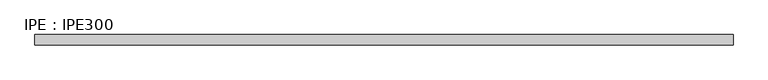
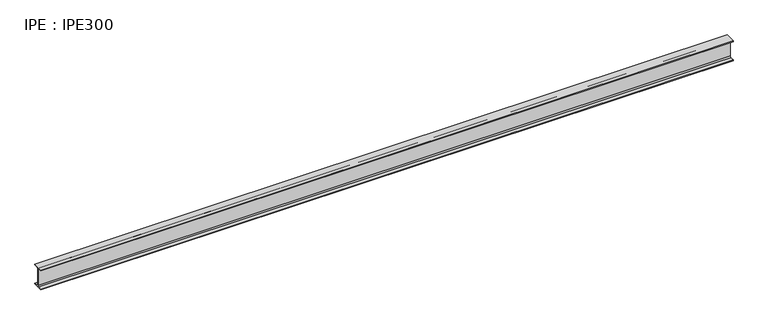
"""IFC4 building model written with IfcOpenShell, lengths in millimetres: beam geometry, IPE : IPE300."""

import ifcopenshell
import ifcopenshell.guid

model = None  # the IFC model being written
_history = None  # IfcOwnerHistory: only IFC2X3 demands one
_inside = {}  # id of a spatial element -> (the spatial element, [elements in it])
_under = {}  # id of a project, library or spatial element -> (it, [spatial elements below it])
_declared = {}  # id of a project -> (the project, [libraries it declares])
_typed = {}  # id of a type object -> (the type object, [elements of that type])
_made_of = {}  # id of a material, layer set ... -> (it, [elements and type objects made of it])


def new_model(schema):
    """Start an empty IFC model of exactly this schema.

    Asked for "IFC4X3", IfcOpenShell would pick the latest addendum, in which some entities
    have other attributes; the version numbers below select the first issue.
    IFC2X3 requires an IfcOwnerHistory on every rooted entity: one is made here for all.
    """
    global model, _history
    if schema == "IFC4X3":
        model = ifcopenshell.file(schema_version=(4, 3, 0, 0))
    else:
        model = ifcopenshell.file(schema=schema)
    _inside.clear()
    _under.clear()
    _declared.clear()
    _typed.clear()
    _made_of.clear()
    _history = None
    if model.schema == "IFC2X3":
        org = make("IfcOrganization", Name="unknown")
        user = make(
            "IfcPersonAndOrganization",
            ThePerson=make("IfcPerson", FamilyName="unknown"),
            TheOrganization=org,
        )
        app = make(
            "IfcApplication",
            ApplicationDeveloper=org,
            Version="unknown",
            ApplicationFullName="unknown",
            ApplicationIdentifier="unknown",
        )
        _history = make(
            "IfcOwnerHistory",
            OwningUser=user,
            OwningApplication=app,
            ChangeAction="ADDED",
            CreationDate=0,
        )
    return model


def make(cls, **values):
    """One entity of the class cls with the attributes given. An attribute that is None is left unset."""
    return model.create_entity(
        cls, **{name: value for name, value in values.items() if value is not None}
    )


def rooted(cls, **values):
    """An entity with a GlobalId (a new one), such as an element, a storey or a relation."""
    return make(cls, GlobalId=ifcopenshell.guid.new(), OwnerHistory=_history, **values)


def si_unit(unit_type, name, prefix=None):
    """IfcSIUnit, for example si_unit("LENGTHUNIT", "METRE", prefix="MILLI")."""
    return make("IfcSIUnit", UnitType=unit_type, Prefix=prefix, Name=name)


def assignment(units):
    """IfcUnitAssignment: the units of a project."""
    return None if units is None else make("IfcUnitAssignment", Units=units)


def point(xyz):
    """IfcCartesianPoint."""
    return None if xyz is None else make("IfcCartesianPoint", Coordinates=xyz)


def direction(xyz):
    """IfcDirection."""
    return None if xyz is None else make("IfcDirection", DirectionRatios=xyz)


def frame(location, z_axis=None, x_axis=None):
    """IfcAxis2Placement3D, a coordinate frame: its origin and axes. An axis left out is left unset."""
    return make(
        "IfcAxis2Placement3D",
        Location=point(location),
        Axis=direction(z_axis),
        RefDirection=direction(x_axis),
    )


def frame_2d(location, x_axis=None):
    """IfcAxis2Placement2D, a coordinate frame in the plane: its origin and x axis."""
    return make(
        "IfcAxis2Placement2D", Location=point(location), RefDirection=direction(x_axis)
    )


def origin():
    """The frame at (0, 0, 0) with its axes left unset."""
    return frame((0.0, 0.0, 0.0))


def place(relative_to, where):
    """IfcLocalPlacement: puts the frame where relative to a parent placement (None: the world)."""
    return make(
        "IfcLocalPlacement", PlacementRelTo=relative_to, RelativePlacement=where
    )


def context(
    kind, dimensions, precision=None, world=None, true_north=None, identifier=None
):
    """IfcGeometricRepresentationContext, for example the 3D "Model" context."""
    return make(
        "IfcGeometricRepresentationContext",
        ContextIdentifier=identifier,
        ContextType=kind,
        CoordinateSpaceDimension=dimensions,
        Precision=precision,
        WorldCoordinateSystem=world,
        TrueNorth=true_north,
    )


def project(units=None, contexts=None):
    """IfcProject with its units and contexts."""
    return rooted(
        "IfcProject",
        Name="project",
        RepresentationContexts=contexts,
        UnitsInContext=assignment(units),
    )


def spatial(cls, under=None, at=None, **own):
    """A site, building, storey or space (cls), placed at a placement, below another one or the project."""
    s = rooted(cls, ObjectPlacement=at, **own)
    if under is not None:
        _under.setdefault(under.id(), (under, []))[1].append(s)
    return s


def polyline(points):
    """IfcPolyline through the points."""
    return make("IfcPolyline", Points=[point(p) for p in points])


def circle_curve(where, radius):
    """IfcCircle in the frame where."""
    return make("IfcCircle", Position=where, Radius=radius)


def trimmed(basis, trim1, trim2, sense, master):
    """IfcTrimmedCurve: the piece of a basis curve between two trims."""
    return make(
        "IfcTrimmedCurve",
        BasisCurve=basis,
        Trim1=trim1,
        Trim2=trim2,
        SenseAgreement=sense,
        MasterRepresentation=master,
    )


def segment(curve, same_sense, transition):
    """IfcCompositeCurveSegment."""
    return make(
        "IfcCompositeCurveSegment",
        Transition=transition,
        SameSense=same_sense,
        ParentCurve=curve,
    )


def composite_curve(segments, self_intersect=None):
    """IfcCompositeCurve: segments joined end to end."""
    return make("IfcCompositeCurve", Segments=segments, SelfIntersect=self_intersect)


def outline(outer, holes=None, kind="AREA"):
    """IfcArbitraryClosedProfileDef: a profile drawn as a closed curve; with holes, ...WithVoids."""
    if holes is None:
        return make("IfcArbitraryClosedProfileDef", ProfileType=kind, OuterCurve=outer)
    return make(
        "IfcArbitraryProfileDefWithVoids",
        ProfileType=kind,
        OuterCurve=outer,
        InnerCurves=holes,
    )


def extrude(swept, where, along, depth):
    """IfcExtrudedAreaSolid: the profile swept, set in the frame where, extruded along a direction by depth."""
    return make(
        "IfcExtrudedAreaSolid",
        SweptArea=swept,
        Position=where,
        ExtrudedDirection=direction(along),
        Depth=depth,
    )


def shape(context_of_items, identifier, shape_type, items):
    """IfcShapeRepresentation: the items that make up one representation, for example the "Body"."""
    return make(
        "IfcShapeRepresentation",
        ContextOfItems=context_of_items,
        RepresentationIdentifier=identifier,
        RepresentationType=shape_type,
        Items=items,
    )


def source(mapping_origin, context_of_items, identifier, shape_type, items):
    """IfcRepresentationMap: a shape defined once, which mapped items show again and again."""
    return make(
        "IfcRepresentationMap",
        MappingOrigin=mapping_origin,
        MappedRepresentation=shape(context_of_items, identifier, shape_type, items),
    )


def transform(
    local_origin,
    x_axis=None,
    y_axis=None,
    z_axis=None,
    scale=None,
    scale2=None,
    scale3=None,
    uniform=True,
):
    """IfcCartesianTransformationOperator3D, or its non-uniform kind. x_axis, y_axis, z_axis: its Axis1, 2, 3."""
    if uniform:
        return make(
            "IfcCartesianTransformationOperator3D",
            Axis1=direction(x_axis),
            Axis2=direction(y_axis),
            LocalOrigin=point(local_origin),
            Scale=scale,
            Axis3=direction(z_axis),
        )
    return make(
        "IfcCartesianTransformationOperator3DnonUniform",
        Axis1=direction(x_axis),
        Axis2=direction(y_axis),
        LocalOrigin=point(local_origin),
        Scale=scale,
        Axis3=direction(z_axis),
        Scale2=scale2,
        Scale3=scale3,
    )


def mapped(mapping_source, mapping_target):
    """IfcMappedItem: shows the shape of a source again, moved by a transform."""
    return make(
        "IfcMappedItem", MappingSource=mapping_source, MappingTarget=mapping_target
    )


def made_of(thing, what):
    """Note that an element or type object is made of a material, layer set ...; save() writes the relation."""
    if what is not None:
        _made_of.setdefault(what.id(), (what, []))[1].append(thing)
    return thing


def element(
    cls,
    number,
    at=None,
    inside=None,
    cuts=None,
    type_object=None,
    material=None,
    context=None,
    identifier="Body",
    shape_type=None,
    held_by="IfcProductDefinitionShape",
    body=None,
    shapes=None,
    **own,
):
    """One element of the class cls, such as IfcWall. Its Tag is "e" and its number.

    at: its placement. inside: the storey or other place that contains it. cuts: it is an
    opening in that element (IfcRelVoidsElement). A single representation is given by context,
    identifier, shape_type and body (its items); several are given by shapes. held_by: the class
    of the entity that holds the representations. save() writes the other relations.
    """
    e = rooted(cls, Tag="e%d" % number, ObjectPlacement=at, **own)
    if body is not None:
        shapes = [shape(context, identifier, shape_type, body)]
    if shapes is not None:
        e.Representation = make(held_by, Representations=shapes)
    if inside is not None:
        _inside.setdefault(inside.id(), (inside, []))[1].append(e)
    if cuts is not None:
        rooted(
            "IfcRelVoidsElement", RelatingBuildingElement=cuts, RelatedOpeningElement=e
        )
    if type_object is not None:
        _typed.setdefault(type_object.id(), (type_object, []))[1].append(e)
    return made_of(e, material)


def aggregate(whole, parts):
    """IfcRelAggregates: a whole, such as a stair, and the parts it consists of."""
    return rooted("IfcRelAggregates", RelatingObject=whole, RelatedObjects=parts)


def save(model, path):
    """Write the relations noted so far, then the file.

    IfcRelAggregates (storeys below a building ...), IfcRelContainedInSpatialStructure (elements
    in a storey), IfcRelDefinesByType, IfcRelAssociatesMaterial and IfcRelDeclares: one each for
    every whole, place, type object, material and project.
    """
    for whole, parts in _under.values():
        aggregate(whole, parts)
    for where, things in _inside.values():
        rooted(
            "IfcRelContainedInSpatialStructure",
            RelatedElements=things,
            RelatingStructure=where,
        )
    for kind, things in _typed.values():
        rooted("IfcRelDefinesByType", RelatedObjects=things, RelatingType=kind)
    for what, things in _made_of.values():
        rooted("IfcRelAssociatesMaterial", RelatedObjects=things, RelatingMaterial=what)
    for by, libraries in _declared.values():
        rooted("IfcRelDeclares", RelatingContext=by, RelatedDefinitions=libraries)
    model.write(path)


def ipe_ipe300_72d987b7(model_context):
    return source(origin(), model_context, "Body", "SweptSolid", [
        extrude(outline(composite_curve([segment(polyline([(75.0, -139.3), (75.0, -150.0), (-75.0, -150.0), (-75.0, -139.3), (-18.55, -139.3)]), True, "CONTINUOUS"), segment(trimmed(circle_curve(frame_2d((-18.55, -124.3)), 15.0), [point((-18.55, -139.3))], [point((-3.55, -124.3))], True, "CARTESIAN"), True, "CONTINUOUS"), segment(polyline([(-3.55, -124.3), (-3.55, 124.3)]), True, "CONTINUOUS"), segment(trimmed(circle_curve(frame_2d((-18.55, 124.3)), 15.0), [point((-3.55, 124.3))], [point((-18.55, 139.3))], True, "CARTESIAN"), True, "CONTINUOUS"), segment(polyline([(-18.55, 139.3), (-75.0, 139.3), (-75.0, 150.0), (75.0, 150.0), (75.0, 139.3), (18.55, 139.3)]), True, "CONTINUOUS"), segment(trimmed(circle_curve(frame_2d((18.55, 124.3)), 15.0), [point((18.55, 139.3))], [point((3.55, 124.3))], True, "CARTESIAN"), True, "CONTINUOUS"), segment(polyline([(3.55, 124.3), (3.55, -124.3)]), True, "CONTINUOUS"), segment(trimmed(circle_curve(frame_2d((18.55, -124.3)), 15.0), [point((3.55, -124.3))], [point((18.55, -139.3))], True, "CARTESIAN"), True, "CONTINUOUS"), segment(polyline([(18.55, -139.3), (75.0, -139.3)]), True, "CONTINUOUS")], self_intersect=False)), frame((-5000.0, 0.0, 0.0), z_axis=(1.0, 0.0, 0.0), x_axis=(0.0, 1.0, 0.0)), (0.0, 0.0, 1.0), 10000.0),
    ])


if __name__ == "__main__":
    model = new_model("IFC4")
    model_context = context("Model", 3, world=origin())
    ifc_project = project(units=[si_unit("LENGTHUNIT", "METRE", prefix="MILLI")], contexts=[model_context])
    site = spatial("IfcSite", under=ifc_project)
    building = spatial("IfcBuilding", under=site)
    placement = place(None, origin())
    ipe_ipe300_shape = ipe_ipe300_72d987b7(model_context)
    element("IfcBeam", 1, ObjectType="IPE : IPE300", at=placement, inside=building, context=model_context, shape_type="MappedRepresentation", body=[
        mapped(ipe_ipe300_shape, transform((0.0, 0.0, 0.0), x_axis=(1.0, 0.0, 0.0), y_axis=(0.0, 1.0, 0.0), z_axis=(0.0, 0.0, 1.0))),
    ])
    save(model, "model.ifc")
